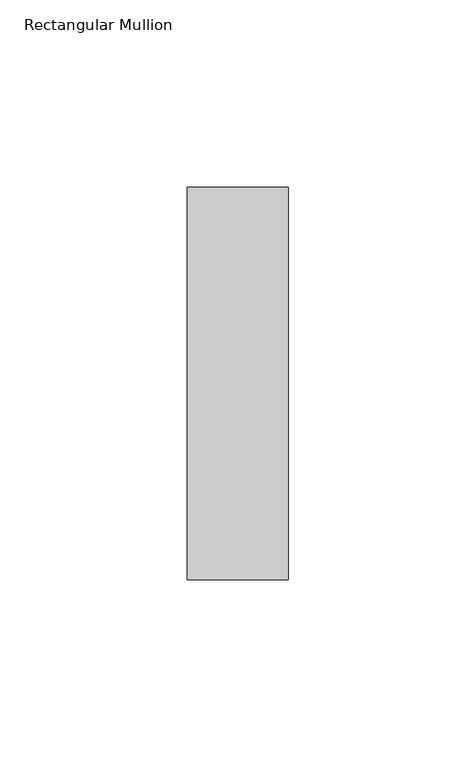
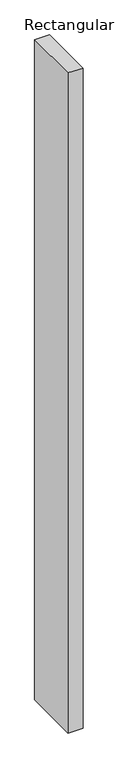
"""IFC4 building model written with IfcOpenShell, lengths in millimetres: member geometry, Rectangular Mullion."""

from ifc_helpers import new_model, si_unit, frame, origin, place, context, project, spatial, polyline, outline, extrude, source, transform, mapped, element, save


def rectangular_mullion_8b078067(model_context):
    return source(origin(), model_context, "Body", "SweptSolid", [
        extrude(outline(polyline([(0.0, 52.3975), (0.0, -52.3975), (-27.0, -52.3975), (-27.0, 52.3975), (0.0, 52.3975)])), frame((0.0, 0.0, -1266.0694216), z_axis=(0.0, 0.0, 1.0), x_axis=(1.0, 0.0, 0.0)), (0.0, 0.0, 1.0), 1266.0694216),
    ])


if __name__ == "__main__":
    model = new_model("IFC4")
    model_context = context("Model", 3, world=origin())
    ifc_project = project(units=[si_unit("LENGTHUNIT", "METRE", prefix="MILLI")], contexts=[model_context])
    site = spatial("IfcSite", under=ifc_project)
    building = spatial("IfcBuilding", under=site)
    placement = place(None, origin())
    rectangular_mullion_shape = rectangular_mullion_8b078067(model_context)
    element("IfcMember", 1, ObjectType="Rectangular Mullion", at=placement, inside=building, context=model_context, shape_type="MappedRepresentation", body=[
        mapped(rectangular_mullion_shape, transform((0.0, 0.0, 0.0), x_axis=(1.0, 0.0, 0.0), y_axis=(0.0, 1.0, 0.0), z_axis=(0.0, 0.0, 1.0))),
    ])
    save(model, "model.ifc")
